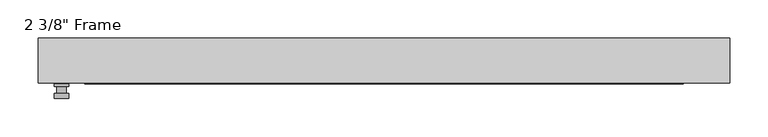
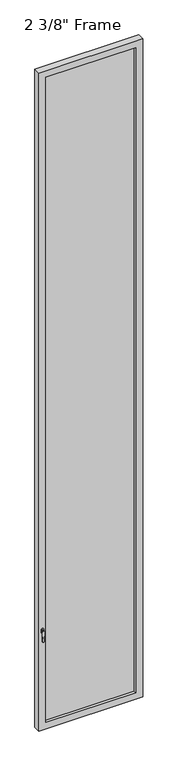
"""IFC4 building model written with IfcOpenShell, lengths in millimetres: plate geometry."""

from ifc_helpers import new_model, si_unit, frame, origin, place, context, project, spatial, polyline, circle_curve, outline, extrude, faceted_brep, source, transform, mapped, element, save
from ifc_brep_helpers import plane_surface, cylinder_surface, advanced_brep


def plate_8128f533(model_context):
    return source(origin(), model_context, "Body", "SolidModel", [
        advanced_brep(
        [(-410.5275, -29.36875, 927.1), (-410.5275, -29.36875, 901.7), (-429.5775, -29.36875, 901.7), (-429.5775, -29.36875, 927.1), (-413.7025, -42.06875, 914.4), (-426.4025, -42.06875, 914.4), (-426.4025, -32.54375, 914.4), (-413.7025, -32.54375, 914.4), (-410.5275, -42.06875, 914.4), (-413.7065356, -42.06875, 825.2736467), (-426.3984644, -42.06875, 825.2736467), (-429.5775, -42.06875, 914.4), (-410.5275, -48.41875, 914.4), (-429.5775, -48.41875, 914.4), (-426.3984644, -48.41875, 825.2736467), (-413.7065356, -48.41875, 825.2736467), (-410.5275, -32.54375, 927.1), (-429.5775, -32.54375, 927.1), (-429.5775, -32.54375, 901.7), (-410.5275, -32.54375, 901.7)],
        [
            (0, 1),
            (1, 2, circle_curve(frame((-420.0525, -29.36875, 901.7), z_axis=(0.0, 1.0, 0.0), x_axis=(-1.0, 0.0, 0.0)), 9.525)),
            (2, 3),
            (3, 0, circle_curve(frame((-420.0525, -29.36875, 927.1), z_axis=(0.0, 1.0, 0.0), x_axis=(-1.0, 0.0, 0.0)), 9.525)),
            (4, 5, circle_curve(frame((-420.0525, -42.06875, 914.4), z_axis=(0.0, 1.0, 0.0), x_axis=(-1.0, 0.0, 0.0)), 6.35)),
            (5, 6),
            (6, 7, circle_curve(frame((-420.0525, -32.54375, 914.4), z_axis=(0.0, -1.0, 0.0), x_axis=(-1.0, 0.0, 0.0)), 6.35)),
            (7, 4),
            (5, 4, circle_curve(frame((-420.0525, -42.06875, 914.4), z_axis=(0.0, 1.0, 0.0), x_axis=(-1.0, 0.0, 0.0)), 6.35)),
            (7, 6, circle_curve(frame((-420.0525, -32.54375, 914.4), z_axis=(0.0, -1.0, 0.0), x_axis=(-1.0, 0.0, 0.0)), 6.35)),
            (8, 9),
            (9, 10, circle_curve(frame((-420.0525, -42.06875, 825.5), z_axis=(0.0, 1.0, 0.0), x_axis=(-1.0, 0.0, 0.0)), 6.35)),
            (10, 11),
            (11, 8, circle_curve(frame((-420.0525, -42.06875, 914.4), z_axis=(0.0, 1.0, 0.0), x_axis=(-1.0, 0.0, 0.0)), 9.525)),
            (12, 13, circle_curve(frame((-420.0525, -48.41875, 914.4), z_axis=(0.0, -1.0, 0.0), x_axis=(-1.0, 0.0, 0.0)), 9.525)),
            (13, 14),
            (14, 15, circle_curve(frame((-420.0525, -48.41875, 825.5), z_axis=(0.0, -1.0, 0.0), x_axis=(-1.0, 0.0, 0.0)), 6.35)),
            (15, 12),
            (8, 12),
            (15, 9),
            (14, 10),
            (13, 11),
            (16, 17, circle_curve(frame((-420.0525, -32.54375, 927.1), z_axis=(0.0, -1.0, 0.0), x_axis=(-1.0, 0.0, 0.0)), 9.525)),
            (17, 18),
            (18, 19, circle_curve(frame((-420.0525, -32.54375, 901.7), z_axis=(0.0, -1.0, 0.0), x_axis=(-1.0, 0.0, 0.0)), 9.525)),
            (19, 16),
            (0, 16),
            (19, 1),
            (18, 2),
            (17, 3),
        ],
        [
            plane_surface(frame((-426.4025, -29.36875, 914.4), z_axis=(0.0, 1.0, 0.0), x_axis=(0.0, 0.0, 1.0))),
            cylinder_surface(frame((-420.0525, -42.06875, 914.4), z_axis=(0.0, 1.0, 0.0), x_axis=(-1.0, 0.0, 0.0)), 6.35),
            plane_surface(frame((-410.5275, -42.06875, 914.4), z_axis=(0.0, 1.0000000000000002, 0.0), x_axis=(-0.03564619348186888, 0.0, -0.9993644724975235))),
            plane_surface(frame((-410.5275, -48.41875, 914.4), z_axis=(0.0, -1.0000000000000002, 0.0), x_axis=(0.03564619348186888, 0.0, 0.9993644724975235))),
            plane_surface(frame((-410.5275, -42.06875, 914.4), z_axis=(0.9993644724975235, 0.0, -0.03564619348186888), x_axis=(0.0, -1.0, 0.0))),
            cylinder_surface(frame((-420.0525, -48.41875, 825.5), z_axis=(0.0, 1.0, 0.0), x_axis=(-1.0, 0.0, 0.0)), 6.35),
            plane_surface(frame((-426.3984644, -42.06875, 825.2736467), z_axis=(-0.9993644724975228, 0.0, -0.03564619348188612), x_axis=(0.0, -1.0, 0.0))),
            cylinder_surface(frame((-420.0525, -48.41875, 914.4), z_axis=(0.0, 1.0, 0.0), x_axis=(-1.0, 0.0, 0.0)), 9.525),
            plane_surface(frame((-410.5275, -32.54375, 901.7), z_axis=(0.0, -1.0, 0.0), x_axis=(0.0, 0.0, 1.0))),
            plane_surface(frame((-410.5275, -29.36875, 927.1), z_axis=(1.0, 0.0, 0.0), x_axis=(0.0, -1.0, 0.0))),
            cylinder_surface(frame((-420.0525, -32.54375, 901.7), z_axis=(0.0, 1.0, 0.0), x_axis=(-1.0, 0.0, 0.0)), 9.525),
            plane_surface(frame((-429.5775, -29.36875, 901.7), z_axis=(-1.0, 0.0, 0.0), x_axis=(0.0, -1.0, 0.0))),
            cylinder_surface(frame((-420.0525, -32.54375, 927.1), z_axis=(0.0, 1.0, 0.0), x_axis=(-1.0, 0.0, 0.0)), 9.525),
        ],
        [
            (0, [[1, 2, 3, 4]]),
            (1, [[5, 6, 7, 8]]),
            (1, [[9, -8, 10, -6]]),
            (2, [[11, 12, 13, 14], [-5, -9]]),
            (3, [[15, 16, 17, 18]]),
            (4, [[-11, 19, -18, 20]]),
            (5, [[-12, -20, -17, 21]]),
            (6, [[-13, -21, -16, 22]]),
            (7, [[-14, -22, -15, -19]]),
            (8, [[23, 24, 25, 26], [-7, -10]]),
            (9, [[-1, 27, -26, 28]]),
            (10, [[-2, -28, -25, 29]]),
            (11, [[-3, -29, -24, 30]]),
            (12, [[-4, -30, -23, -27]]),
        ],
    ),
        faceted_brep([(-450.215, -29.36875, 0.0), (-450.215, 29.36875, 0.0), (450.215, 29.36875, 0.0), (450.215, -29.36875, 0.0), (-389.89, 29.36875, 5983.2875), (-389.89, 19.84375, 5983.2875), (-389.89, 19.84375, 60.325), (-389.89, 29.36875, 60.325), (402.59, 19.84375, 5995.9875), (-402.59, 19.84375, 5995.9875), (-402.59, 19.84375, 47.625), (402.59, 19.84375, 47.625), (389.89, 19.84375, 5983.2875), (389.89, 19.84375, 60.325), (-402.59, -3.96875, 5995.9875), (-402.59, -3.96875, 47.625), (402.59, -3.96875, 5995.9875), (402.59, -3.96875, 47.625), (-389.89, -3.96875, 5983.2875), (-389.89, -3.96875, 60.325), (389.89, -3.96875, 60.325), (389.89, -3.96875, 5983.2875), (-389.89, -29.36875, 5983.2875), (-389.89, -29.36875, 60.325), (450.215, -29.36875, 6043.6125), (-450.215, -29.36875, 6043.6125), (389.89, -29.36875, 5983.2875), (389.89, -29.36875, 60.325), (-450.215, 29.36875, 6043.6125), (450.215, 29.36875, 6043.6125), (389.89, 29.36875, 60.325), (389.89, 29.36875, 5983.2875)], [[[0, 1, 2, 3]], [[4, 5, 6, 7]], [[8, 9, 10, 11], [5, 12, 13, 6]], [[10, 9, 14, 15]], [[14, 16, 17, 15], [18, 19, 20, 21]], [[18, 22, 23, 19]], [[0, 3, 24, 25], [22, 26, 27, 23]], [[1, 0, 25, 28]], [[2, 1, 28, 29], [4, 7, 30, 31]], [[5, 4, 31, 12]], [[9, 8, 16, 14]], [[18, 21, 26, 22]], [[25, 24, 29, 28]], [[12, 31, 30, 13]], [[17, 16, 8, 11]], [[26, 21, 20, 27]], [[24, 3, 2, 29]], [[23, 27, 20, 19]], [[11, 10, 15, 17]], [[6, 13, 30, 7]]]),
        extrude(outline(polyline([(402.59, -3.96875), (-402.59, -3.96875), (-402.59, 19.84375), (402.59, 19.84375), (402.59, -3.96875)])), frame((0.0, 0.0, 47.625), z_axis=(0.0, 0.0, 1.0), x_axis=(1.0, 0.0, 0.0)), (0.0, 0.0, 1.0), 5948.3625),
    ])


if __name__ == "__main__":
    model = new_model("IFC4")
    model_context = context("Model", 3, world=origin())
    ifc_project = project(units=[si_unit("LENGTHUNIT", "METRE", prefix="MILLI")], contexts=[model_context])
    site = spatial("IfcSite", under=ifc_project)
    building = spatial("IfcBuilding", under=site)
    placement = place(None, origin())
    plate_shape = plate_8128f533(model_context)
    element("IfcPlate", 1, ObjectType="2 3/8\" Frame", at=placement, inside=building, context=model_context, shape_type="MappedRepresentation", body=[
        mapped(plate_shape, transform((0.0, 0.0, 0.0), x_axis=(1.0, 0.0, 0.0), y_axis=(0.0, 1.0, 0.0), z_axis=(0.0, 0.0, 1.0))),
    ])
    save(model, "model.ifc")
